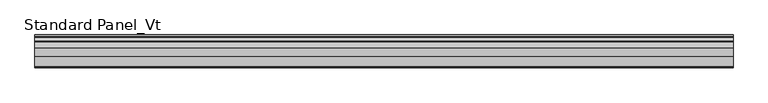
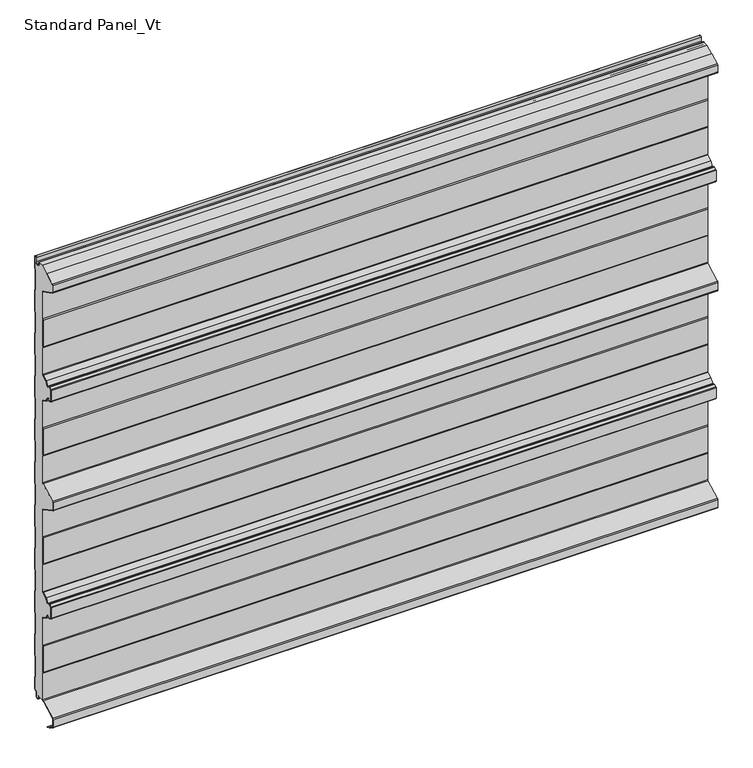
"""IFC4 building model written with IfcOpenShell, lengths in millimetres: proxy geometry, Standard Panel_Vt."""

from ifc_helpers import new_model, si_unit, point, frame, frame_2d, origin, place, context, project, spatial, polyline, circle_curve, trimmed, segment, composite_curve, outline, extrude, source, transform, mapped, element, save


def standard_panel_vt_0a422989(model_context):
    return source(origin(), model_context, "Body", "SweptSolid", [
        extrude(outline(composite_curve([segment(polyline([(-29.2, 32.543601), (-29.2, 93.8381725), (-30.1683897, 96.2198058), (-30.1683897, 156.0111465), (-29.2, 158.3927799), (-29.2, 220.5320467)]), True, "CONTINUOUS"), segment(trimmed(circle_curve(frame_2d((-30.9999978, 220.5292608)), 1.8), [point((-29.2, 220.5320467))], [point((-30.1549332, 222.118558))], True, "CARTESIAN"), True, "CONTINUOUS"), segment(polyline([(-30.1549332, 222.118558), (-41.6730163, 228.2429789), (-47.3606338, 237.2263708)]), True, "CONTINUOUS"), segment(trimmed(circle_curve(frame_2d((-48.8814507, 236.2635023)), 1.8), [point((-47.3606338, 237.2263708))], [point((-49.6883253, 237.8725248))], True, "CARTESIAN"), True, "CONTINUOUS"), segment(polyline([(-49.6883253, 237.8725248), (-54.8672514, 235.275455), (-60.4669529, 238.2529407), (-60.4669529, 263.7469089), (-54.8564238, 266.730009), (-49.6882431, 264.1381991)]), True, "CONTINUOUS"), segment(trimmed(circle_curve(frame_2d((-48.8813366, 265.7472056)), 1.8), [point((-49.6882431, 264.1381991))], [point((-47.3605387, 264.7843069))], True, "CARTESIAN"), True, "CONTINUOUS"), segment(polyline([(-47.3605387, 264.7843069), (-41.6832892, 273.7509288), (-30.1548264, 279.880575)]), True, "CONTINUOUS"), segment(trimmed(circle_curve(frame_2d((-30.9997352, 281.4696552)), 1.7997352), [point((-30.1548264, 279.880575))], [point((-29.2, 281.4696552))], True, "CARTESIAN"), True, "CONTINUOUS"), segment(polyline([(-29.2, 281.4696552), (-29.2, 343.6072197), (-30.1683897, 345.9888602), (-30.1683897, 405.780201), (-29.2, 408.1618409), (-29.2, 469.4564123)]), True, "CONTINUOUS"), segment(trimmed(circle_curve(frame_2d((-31.75, 469.4564123)), 2.55), [point((-29.2, 469.4564123))], [point((-30.5528475, 471.7079287))], True, "CARTESIAN"), True, "CONTINUOUS"), segment(polyline([(-30.5528475, 471.7079287), (-66.4808064, 490.8111633)]), True, "CONTINUOUS"), segment(trimmed(circle_curve(frame_2d((-65.5183897, 492.6212058)), 2.05), [point((-66.4808064, 490.8111633))], [point((-67.5683897, 492.6212058))], False, "CARTESIAN"), True, "CONTINUOUS"), segment(polyline([(-67.5683897, 492.6212058), (-67.5683897, 509.3787942)]), True, "CONTINUOUS"), segment(trimmed(circle_curve(frame_2d((-65.5183897, 509.3787942)), 2.05), [point((-67.5683897, 509.3787942))], [point((-66.4808064, 511.1888367))], False, "CARTESIAN"), True, "CONTINUOUS"), segment(polyline([(-66.4808064, 511.1888367), (-30.5528475, 530.2920713)]), True, "CONTINUOUS"), segment(trimmed(circle_curve(frame_2d((-31.75, 532.5435877)), 2.55), [point((-30.5528475, 530.2920713))], [point((-29.2, 532.5435877))], True, "CARTESIAN"), True, "CONTINUOUS"), segment(polyline([(-29.2, 532.5435877), (-29.2, 594.3381591), (-30.1683897, 596.719799), (-30.1683897, 656.5111398), (-29.2, 658.8927797), (-29.2, 720.3455631)]), True, "CONTINUOUS"), segment(trimmed(circle_curve(frame_2d((-30.9904904, 720.5303448)), 1.8), [point((-29.2, 720.3455631))], [point((-30.1454573, 722.1196588))], True, "CARTESIAN"), True, "CONTINUOUS"), segment(polyline([(-30.1454573, 722.1196588), (-41.6734802, 728.2490711), (-47.3507298, 737.2156932)]), True, "CONTINUOUS"), segment(trimmed(circle_curve(frame_2d((-48.8715276, 736.2527945)), 1.8), [point((-47.3507298, 737.2156932))], [point((-49.6784342, 737.861801))], True, "CARTESIAN"), True, "CONTINUOUS"), segment(polyline([(-49.6784342, 737.861801), (-54.8466132, 735.269992), (-60.4573069, 738.2530732), (-60.4573069, 763.7469201), (-54.8574433, 766.7245456), (-49.6785164, 764.1274753)]), True, "CONTINUOUS"), segment(trimmed(circle_curve(frame_2d((-48.8716418, 765.7364978)), 1.8), [point((-49.6785164, 764.1274753))], [point((-47.3508249, 764.7736293))], True, "CARTESIAN"), True, "CONTINUOUS"), segment(polyline([(-47.3508249, 764.7736293), (-41.6632074, 773.7570212), (-30.1451242, 779.8814421)]), True, "CONTINUOUS"), segment(trimmed(circle_curve(frame_2d((-30.9901889, 781.4707393)), 1.8), [point((-30.1451242, 779.8814421))], [point((-29.2, 781.6584189))], True, "CARTESIAN"), True, "CONTINUOUS"), segment(polyline([(-29.2, 781.6584189), (-29.2, 843.5389374), (-30.1683897, 846.5544463), (-30.1683897, 906.3542239), (-29.2, 909.3076807), (-29.2, 970.7065818)]), True, "CONTINUOUS"), segment(trimmed(circle_curve(frame_2d((-31.7198823, 970.7065818)), 2.5198823), [point((-29.2, 970.7065818))], [point((-30.5090325, 972.91648))], True, "CARTESIAN"), True, "CONTINUOUS"), segment(polyline([(-30.5090325, 972.91648), (-65.4813607, 991.4349523)]), True, "CONTINUOUS"), segment(trimmed(circle_curve(frame_2d((-64.5183897, 993.2447)), 2.05), [point((-65.4813607, 991.4349523))], [point((-66.5683897, 993.2447))], False, "CARTESIAN"), True, "CONTINUOUS"), segment(polyline([(-66.5683897, 993.2447), (-66.5683897, 1008.7553)]), True, "CONTINUOUS"), segment(trimmed(circle_curve(frame_2d((-64.5183897, 1008.7553)), 2.05), [point((-66.5683897, 1008.7553))], [point((-65.4808064, 1010.5653426))], False, "CARTESIAN"), True, "CONTINUOUS"), segment(polyline([(-65.4808064, 1010.5653426), (-26.7559646, 1031.1557062), (-15.3551162, 1031.1557063)]), True, "CONTINUOUS"), segment(trimmed(circle_curve(frame_2d((-15.3274964, 1029.5059375)), 1.65), [point((-15.3551162, 1031.1557063))], [point((-16.9611095, 1029.7379036))], True, "CARTESIAN"), True, "CONTINUOUS"), segment(polyline([(-16.9611095, 1029.7379036), (-17.660313, 1024.8137877), (-16.8682582, 1024.7013192), (-16.1690547, 1029.6254352)]), True, "CONTINUOUS"), segment(trimmed(circle_curve(frame_2d((-15.3274964, 1029.5059375)), 0.85), [point((-16.1690547, 1029.6254352))], [point((-14.4904098, 1029.6535385))], False, "CARTESIAN"), True, "CONTINUOUS"), segment(polyline([(-14.4904098, 1029.6535385), (-13.7278368, 1025.3287722)]), True, "CONTINUOUS"), segment(trimmed(circle_curve(frame_2d((-9.05, 1026.153601)), 4.75), [point((-13.7278368, 1025.3287722))], [point((-4.3, 1026.153601))], True, "CARTESIAN"), True, "CONTINUOUS"), segment(polyline([(-4.3, 1026.153601), (-4.3, 1035.653601)]), True, "CONTINUOUS"), segment(trimmed(circle_curve(frame_2d((-2.55, 1035.653601)), 1.75), [point((-4.3, 1035.653601))], [point((-0.8, 1035.653601))], False, "CARTESIAN"), True, "CONTINUOUS"), segment(polyline([(-0.8, 1035.653601), (-0.8, 1008.0956151), (-1.8, 1006.3635643), (-1.8, 959.8989472), (-0.8, 958.1668964), (-0.8, 909.0956151), (-1.8, 907.3635643), (-1.8, 860.8989472), (-0.8, 859.1668964), (-0.8, 810.0956151), (-1.8, 808.3635643), (-1.8, 761.8989472), (-0.8, 760.1668964), (-0.8, 711.0974098), (-1.8, 709.3229083), (-1.8, 662.8989472), (-0.8, 661.1668964), (-0.8, 612.0956151), (-1.8, 610.3635643), (-1.8, 563.8989472), (-0.8, 562.1668964), (-0.8, 513.0956151), (-1.8, 511.3635643), (-1.8, 464.8989472), (-0.8, 463.1668964), (-0.8, 414.0974098), (-1.8, 412.3229083), (-1.8, 365.8989472), (-0.8, 364.1668964), (-0.8, 315.0974098), (-1.8, 313.3229083), (-1.8, 266.8989472), (-0.8, 265.1668964), (-0.8, 216.0956151), (-1.8, 214.3635643), (-1.8, 167.8989472), (-0.786297, 166.1668964), (-0.786297, 117.0974098), (-1.786297, 115.3229083), (-1.786297, 68.8989472), (-0.786297, 67.1668964), (-0.786297, 40.153601)]), True, "CONTINUOUS"), segment(trimmed(circle_curve(frame_2d((-2.036297, 40.153601)), 1.25), [point((-0.786297, 40.153601))], [point((-2.036297, 38.903601))], False, "CARTESIAN"), True, "CONTINUOUS"), segment(polyline([(-2.036297, 38.903601), (-3.436297, 38.903601)]), True, "CONTINUOUS"), segment(trimmed(circle_curve(frame_2d((-3.436297, 36.153601)), 2.75), [point((-3.436297, 38.903601))], [point((-6.186297, 36.153601))], True, "CARTESIAN"), True, "CONTINUOUS"), segment(polyline([(-6.186297, 36.153601), (-6.186297, 26.353601)]), True, "CONTINUOUS"), segment(trimmed(circle_curve(frame_2d((-9.036297, 26.353601)), 2.85), [point((-6.186297, 26.353601))], [point((-11.8132517, 25.7124905))], False, "CARTESIAN"), True, "CONTINUOUS"), segment(polyline([(-11.8132517, 25.7124905), (-13.0699171, 31.1557062), (-29.6107833, 31.1557062)]), True, "CONTINUOUS"), segment(trimmed(circle_curve(frame_2d((-31.75, 32.543601)), 2.55), [point((-29.6107833, 31.1557062))], [point((-29.2, 32.543601))], True, "CARTESIAN"), True, "CONTINUOUS")], self_intersect=False)), frame((-723.9042608, 0.0, 0.0), z_axis=(1.0, 0.0, 0.0), x_axis=(0.0, 1.0, 0.0)), (0.0, 0.0, 1.0), 1447.8085217),
        extrude(outline(composite_curve([segment(polyline([(-30.0, 32.543601), (-30.0, 93.6817477), (-30.9683897, 96.0633811), (-30.9683897, 156.1675713), (-30.0, 158.5492046), (-30.0, 220.5313373)]), True, "CONTINUOUS"), segment(trimmed(circle_curve(frame_2d((-30.9999978, 220.5292608)), 1.0), [point((-30.0, 220.5313373))], [point((-30.5305175, 221.4122037))], True, "CARTESIAN"), True, "CONTINUOUS"), segment(polyline([(-30.5305175, 221.4122037), (-42.2356263, 227.6360703), (-48.0365524, 236.7984293)]), True, "CONTINUOUS"), segment(trimmed(circle_curve(frame_2d((-48.8814507, 236.2635023)), 1.0), [point((-48.0365524, 236.7984293))], [point((-49.3297144, 237.1574037))], True, "CARTESIAN"), True, "CONTINUOUS"), segment(polyline([(-49.3297144, 237.1574037), (-54.4163001, 234.6066397)]), True, "CONTINUOUS"), segment(trimmed(circle_curve(frame_2d((-54.8645637, 235.5005411)), 1.0), [point((-54.4163001, 234.6066397))], [point((-55.3340441, 234.6175982))], False, "CARTESIAN"), True, "CONTINUOUS"), segment(polyline([(-55.3340441, 234.6175982), (-60.4714183, 237.3492543)]), True, "CONTINUOUS"), segment(trimmed(circle_curve(frame_2d((-59.7671978, 238.6736686)), 1.5), [point((-60.4714183, 237.3492543))], [point((-61.2669529, 238.7007726))], False, "CARTESIAN"), True, "CONTINUOUS"), segment(polyline([(-61.2669529, 238.7007726), (-61.2669529, 263.3263018)]), True, "CONTINUOUS"), segment(trimmed(circle_curve(frame_2d((-59.7669529, 263.3263018)), 1.5), [point((-61.2669529, 263.3263018))], [point((-60.4711471, 264.6507302))], False, "CARTESIAN"), True, "CONTINUOUS"), segment(polyline([(-60.4711471, 264.6507302), (-55.3232034, 267.3878751)]), True, "CONTINUOUS"), segment(trimmed(circle_curve(frame_2d((-54.8537406, 266.5049228)), 1.0), [point((-55.3232034, 267.3878751))], [point((-54.4054592, 267.3988153))], False, "CARTESIAN"), True, "CONTINUOUS"), segment(polyline([(-54.4054592, 267.3988153), (-49.329618, 264.8533131)]), True, "CONTINUOUS"), segment(trimmed(circle_curve(frame_2d((-48.8813366, 265.7472056)), 1.0), [point((-49.329618, 264.8533131))], [point((-48.0364489, 265.2122618))], True, "CARTESIAN"), True, "CONTINUOUS"), segment(polyline([(-48.0364489, 265.2122618), (-42.2458871, 274.3578486), (-30.5303966, 280.5869367)]), True, "CONTINUOUS"), segment(trimmed(circle_curve(frame_2d((-30.9997352, 281.4696552)), 0.9997353), [point((-30.5303966, 280.5869367))], [point((-29.9999999, 281.4696552))], True, "CARTESIAN"), True, "CONTINUOUS"), segment(polyline([(-29.9999999, 281.4696552), (-29.9999999, 343.4507954), (-30.9683897, 345.8324358), (-30.9683897, 405.9366254), (-30.0, 408.3182652), (-30.0, 469.4564123)]), True, "CONTINUOUS"), segment(trimmed(circle_curve(frame_2d((-31.75, 469.4564123)), 1.75), [point((-30.0, 469.4564123))], [point((-30.9284248, 471.0015706))], True, "CARTESIAN"), True, "CONTINUOUS"), segment(polyline([(-30.9284248, 471.0015706), (-66.8563836, 490.1048052)]), True, "CONTINUOUS"), segment(trimmed(circle_curve(frame_2d((-65.5183897, 492.6212058)), 2.85), [point((-66.8563836, 490.1048052))], [point((-68.3683897, 492.6212058))], False, "CARTESIAN"), True, "CONTINUOUS"), segment(polyline([(-68.3683897, 492.6212058), (-68.3683897, 509.3787942)]), True, "CONTINUOUS"), segment(trimmed(circle_curve(frame_2d((-65.5183897, 509.3787942)), 2.85), [point((-68.3683897, 509.3787942))], [point((-66.8563836, 511.8951948))], False, "CARTESIAN"), True, "CONTINUOUS"), segment(polyline([(-66.8563836, 511.8951948), (-30.9284248, 530.9984294)]), True, "CONTINUOUS"), segment(trimmed(circle_curve(frame_2d((-31.75, 532.5435877)), 1.75), [point((-30.9284248, 530.9984294))], [point((-30.0, 532.5435877))], True, "CARTESIAN"), True, "CONTINUOUS"), segment(polyline([(-30.0, 532.5435877), (-30.0, 593.6817348), (-30.9683897, 596.0633746), (-30.9683897, 656.1675642), (-30.0, 658.549204), (-30.0, 720.3927626)]), True, "CONTINUOUS"), segment(trimmed(circle_curve(frame_2d((-30.9904904, 720.5303448)), 1.0), [point((-30.0, 720.3927626))], [point((-30.5210275, 721.413297))], True, "CARTESIAN"), True, "CONTINUOUS"), segment(polyline([(-30.5210275, 721.413297), (-42.2360781, 727.6421513), (-48.0266399, 736.7877383)]), True, "CONTINUOUS"), segment(trimmed(circle_curve(frame_2d((-48.8715276, 736.2527945)), 1.0), [point((-48.0266399, 736.7877383))], [point((-49.319809, 737.146687))], True, "CARTESIAN"), True, "CONTINUOUS"), segment(polyline([(-49.319809, 737.146687), (-54.3956503, 734.6011848)]), True, "CONTINUOUS"), segment(trimmed(circle_curve(frame_2d((-54.8439317, 735.4950773)), 1.0), [point((-54.3956503, 734.6011848))], [point((-55.3133815, 734.6121181))], False, "CARTESIAN"), True, "CONTINUOUS"), segment(polyline([(-55.3133815, 734.6121181), (-60.4614397, 737.3492264)]), True, "CONTINUOUS"), segment(trimmed(circle_curve(frame_2d((-59.7572281, 738.6737347)), 1.5000788), [point((-60.4614397, 737.3492264))], [point((-61.2573069, 738.6737347))], False, "CARTESIAN"), True, "CONTINUOUS"), segment(polyline([(-61.2573069, 738.6737347), (-61.2573069, 763.3263498)]), True, "CONTINUOUS"), segment(trimmed(circle_curve(frame_2d((-59.7573465, 763.3263498)), 1.4999604), [point((-61.2573069, 763.3263498))], [point((-60.4615583, 764.6507239))], False, "CARTESIAN"), True, "CONTINUOUS"), segment(polyline([(-60.4615583, 764.6507239), (-55.3242418, 767.3823984)]), True, "CONTINUOUS"), segment(trimmed(circle_curve(frame_2d((-54.8547548, 766.499459)), 1.0), [point((-55.3242418, 767.3823984))], [point((-54.4064911, 767.3933604))], False, "CARTESIAN"), True, "CONTINUOUS"), segment(polyline([(-54.4064911, 767.3933604), (-49.3199055, 764.8425964)]), True, "CONTINUOUS"), segment(trimmed(circle_curve(frame_2d((-48.8716418, 765.7364978)), 1.0), [point((-49.3199055, 764.8425964))], [point((-48.0267435, 765.2015709))], True, "CARTESIAN"), True, "CONTINUOUS"), segment(polyline([(-48.0267435, 765.2015709), (-42.2258174, 774.3639298), (-30.5207085, 780.5877964)]), True, "CONTINUOUS"), segment(trimmed(circle_curve(frame_2d((-30.9901889, 781.4707393)), 1.0), [point((-30.5207085, 780.5877964))], [point((-30.0, 781.6104744))], True, "CARTESIAN"), True, "CONTINUOUS"), segment(polyline([(-30.0, 781.6104744), (-30.0, 843.3152015), (-30.9683897, 846.3307104), (-30.9683897, 906.4820299), (-30.0, 909.4354867), (-30.0, 970.7065818)]), True, "CONTINUOUS"), segment(trimmed(circle_curve(frame_2d((-31.7198823, 970.7065818)), 1.7198823), [point((-30.0, 970.7065818))], [point((-30.8889236, 972.2124048))], True, "CARTESIAN"), True, "CONTINUOUS"), segment(polyline([(-30.8889236, 972.2124048), (-65.8563836, 990.7282994)]), True, "CONTINUOUS"), segment(trimmed(circle_curve(frame_2d((-64.5183897, 993.2447)), 2.85), [point((-65.8563836, 990.7282994))], [point((-67.3683897, 993.2447))], False, "CARTESIAN"), True, "CONTINUOUS"), segment(polyline([(-67.3683897, 993.2447), (-67.3683897, 1008.7553)]), True, "CONTINUOUS"), segment(trimmed(circle_curve(frame_2d((-64.5183897, 1008.7553)), 2.85), [point((-67.3683897, 1008.7553))], [point((-65.8563836, 1011.2717006))], False, "CARTESIAN"), True, "CONTINUOUS"), segment(polyline([(-65.8563836, 1011.2717006), (-45.2289619, 1022.2394953), (-44.8533847, 1021.5331372), (-65.4808064, 1010.5653426)]), True, "CONTINUOUS"), segment(trimmed(circle_curve(frame_2d((-64.5183897, 1008.7553)), 2.05), [point((-65.4808064, 1010.5653426))], [point((-66.5683897, 1008.7553))], True, "CARTESIAN"), True, "CONTINUOUS"), segment(polyline([(-66.5683897, 1008.7553), (-66.5683897, 993.2447)]), True, "CONTINUOUS"), segment(trimmed(circle_curve(frame_2d((-64.5183897, 993.2447)), 2.05), [point((-66.5683897, 993.2447))], [point((-65.4813607, 991.4349523))], True, "CARTESIAN"), True, "CONTINUOUS"), segment(polyline([(-65.4813607, 991.4349523), (-30.5090325, 972.91648)]), True, "CONTINUOUS"), segment(trimmed(circle_curve(frame_2d((-31.7198823, 970.7065818)), 2.5198823), [point((-30.5090325, 972.91648))], [point((-29.2, 970.7065818))], False, "CARTESIAN"), True, "CONTINUOUS"), segment(polyline([(-29.2, 970.7065818), (-29.2, 909.3076807), (-30.1683897, 906.3542239), (-30.1683897, 846.4560136), (-29.2, 843.4405047), (-29.2, 781.6584189)]), True, "CONTINUOUS"), segment(trimmed(circle_curve(frame_2d((-30.9901889, 781.4707393)), 1.8), [point((-29.2, 781.6584189))], [point((-30.1451242, 779.8814421))], False, "CARTESIAN"), True, "CONTINUOUS"), segment(polyline([(-30.1451242, 779.8814421), (-41.6632074, 773.7570212), (-47.3508249, 764.7736293)]), True, "CONTINUOUS"), segment(trimmed(circle_curve(frame_2d((-48.8716418, 765.7364978)), 1.8), [point((-47.3508249, 764.7736293))], [point((-49.6785164, 764.1274753))], False, "CARTESIAN"), True, "CONTINUOUS"), segment(polyline([(-49.6785164, 764.1274753), (-54.8574433, 766.7245456), (-60.4573069, 763.7469201), (-60.4573069, 738.2530732), (-54.8466132, 735.269992), (-49.6784342, 737.861801)]), True, "CONTINUOUS"), segment(trimmed(circle_curve(frame_2d((-48.8715276, 736.2527945)), 1.8), [point((-49.6784342, 737.861801))], [point((-47.3507298, 737.2156932))], False, "CARTESIAN"), True, "CONTINUOUS"), segment(polyline([(-47.3507298, 737.2156932), (-41.6734802, 728.2490711), (-30.1454573, 722.1196588)]), True, "CONTINUOUS"), segment(trimmed(circle_curve(frame_2d((-30.9904904, 720.5303448)), 1.8), [point((-30.1454573, 722.1196588))], [point((-29.2, 720.3455631))], False, "CARTESIAN"), True, "CONTINUOUS"), segment(polyline([(-29.2, 720.3455631), (-29.2, 658.3927797), (-30.1683897, 656.0111398), (-30.1683897, 596.219799), (-29.2, 593.8381591), (-29.2, 532.5435877)]), True, "CONTINUOUS"), segment(trimmed(circle_curve(frame_2d((-31.75, 532.5435877)), 2.55), [point((-29.2, 532.5435877))], [point((-30.5528475, 530.2920713))], False, "CARTESIAN"), True, "CONTINUOUS"), segment(polyline([(-30.5528475, 530.2920713), (-66.4808064, 511.1888367)]), True, "CONTINUOUS"), segment(trimmed(circle_curve(frame_2d((-65.5183897, 509.3787942)), 2.05), [point((-66.4808064, 511.1888367))], [point((-67.5683897, 509.3787942))], True, "CARTESIAN"), True, "CONTINUOUS"), segment(polyline([(-67.5683897, 509.3787942), (-67.5683897, 492.6212058)]), True, "CONTINUOUS"), segment(trimmed(circle_curve(frame_2d((-65.5183897, 492.6212058)), 2.05), [point((-67.5683897, 492.6212058))], [point((-66.4808064, 490.8111633))], True, "CARTESIAN"), True, "CONTINUOUS"), segment(polyline([(-66.4808064, 490.8111633), (-30.5528475, 471.7079287)]), True, "CONTINUOUS"), segment(trimmed(circle_curve(frame_2d((-31.75, 469.4564123)), 2.55), [point((-30.5528475, 471.7079287))], [point((-29.2, 469.4564123))], False, "CARTESIAN"), True, "CONTINUOUS"), segment(polyline([(-29.2, 469.4564123), (-29.2, 408.1618409), (-30.1683897, 405.780201), (-30.1683897, 345.9888602), (-29.2, 343.6072197), (-29.2, 281.4696552)]), True, "CONTINUOUS"), segment(trimmed(circle_curve(frame_2d((-30.9997352, 281.4696552)), 1.7997352), [point((-29.2, 281.4696552))], [point((-30.1548264, 279.880575))], False, "CARTESIAN"), True, "CONTINUOUS"), segment(polyline([(-30.1548264, 279.880575), (-41.6832892, 273.7509288), (-47.3605387, 264.7843069)]), True, "CONTINUOUS"), segment(trimmed(circle_curve(frame_2d((-48.8813366, 265.7472056)), 1.8), [point((-47.3605387, 264.7843069))], [point((-49.6882431, 264.1381991))], False, "CARTESIAN"), True, "CONTINUOUS"), segment(polyline([(-49.6882431, 264.1381991), (-54.8564238, 266.730009), (-60.4669529, 263.7469089), (-60.4669529, 238.2529407), (-54.8672514, 235.275455), (-49.6883253, 237.8725248)]), True, "CONTINUOUS"), segment(trimmed(circle_curve(frame_2d((-48.8814507, 236.2635023)), 1.8), [point((-49.6883253, 237.8725248))], [point((-47.3606338, 237.2263708))], False, "CARTESIAN"), True, "CONTINUOUS"), segment(polyline([(-47.3606338, 237.2263708), (-41.6730163, 228.2429789), (-30.1549332, 222.118558)]), True, "CONTINUOUS"), segment(trimmed(circle_curve(frame_2d((-30.9999978, 220.5292608)), 1.8), [point((-30.1549332, 222.118558))], [point((-29.2, 220.5320467))], False, "CARTESIAN"), True, "CONTINUOUS"), segment(polyline([(-29.2, 220.5320467), (-29.2, 158.3927799), (-30.1683897, 156.0111465), (-30.1683897, 96.2198058), (-29.2, 93.8381725), (-29.2, 32.543601)]), True, "CONTINUOUS"), segment(trimmed(circle_curve(frame_2d((-31.75, 32.543601)), 2.55), [point((-29.2, 32.543601))], [point((-30.5528475, 30.2920847))], False, "CARTESIAN"), True, "CONTINUOUS"), segment(polyline([(-30.5528475, 30.2920847), (-66.4808064, 11.1888501)]), True, "CONTINUOUS"), segment(trimmed(circle_curve(frame_2d((-65.5183897, 9.3788075)), 2.05), [point((-66.4808064, 11.1888501))], [point((-67.5683897, 9.3788075))], True, "CARTESIAN"), True, "CONTINUOUS"), segment(polyline([(-67.5683897, 9.3788075), (-67.5683897, -7.362)]), True, "CONTINUOUS"), segment(trimmed(circle_curve(frame_2d((-65.5183897, -7.362)), 2.05), [point((-67.5683897, -7.362))], [point((-66.4808064, -9.1720426))], True, "CARTESIAN"), True, "CONTINUOUS"), segment(polyline([(-66.4808064, -9.1720426), (-57.1800551, -14.1173397), (-54.9723908, -16.438449), (-51.7360251, -17.0119818), (-45.8533964, -20.139831), (-46.2289737, -20.846189), (-52.000038, -17.7776597), (-55.3708693, -17.1802976), (-57.6702585, -14.76275), (-66.8563836, -9.8784006)]), True, "CONTINUOUS"), segment(trimmed(circle_curve(frame_2d((-65.5183897, -7.362)), 2.85), [point((-66.8563836, -9.8784006))], [point((-68.3683897, -7.362))], False, "CARTESIAN"), True, "CONTINUOUS"), segment(polyline([(-68.3683897, -7.362), (-68.3683897, 9.3788075)]), True, "CONTINUOUS"), segment(trimmed(circle_curve(frame_2d((-65.5183897, 9.3788075)), 2.85), [point((-68.3683897, 9.3788075))], [point((-66.8563836, 11.8952082))], False, "CARTESIAN"), True, "CONTINUOUS"), segment(polyline([(-66.8563836, 11.8952082), (-30.9284248, 30.9984427)]), True, "CONTINUOUS"), segment(trimmed(circle_curve(frame_2d((-31.75, 32.543601)), 1.75), [point((-30.9284248, 30.9984427))], [point((-30.0, 32.543601))], True, "CARTESIAN"), True, "CONTINUOUS")], self_intersect=False)), frame((-723.9042608, 0.0, 0.0), z_axis=(1.0, 0.0, 0.0), x_axis=(0.0, 1.0, 0.0)), (0.0, 0.0, 1.0), 1447.8085217),
        extrude(outline(composite_curve([segment(polyline([(0.0, 1035.653601), (0.0, 1007.8812557), (-1.0, 1006.1492049), (-1.0, 960.1133065), (0.0, 958.3812557), (0.0, 908.8812557), (-1.0, 907.1492049), (-1.0, 861.1133065), (0.0, 859.3812557), (0.0, 809.8812557), (-1.0, 808.1492049), (-1.0, 762.1133065), (0.0, 760.3812557), (0.0, 710.8875118), (-1.0, 709.1130103), (-1.0, 663.1133065), (0.0, 661.3812557), (0.0, 611.8812557), (-1.0, 610.1492049), (-1.0, 564.1133065), (0.0, 562.3812557), (0.0, 512.8812557), (-1.0, 511.1492049), (-1.0, 465.1133065), (0.0, 463.3812557), (0.0, 413.8875118), (-1.0, 412.1130103), (-1.0, 366.1133065), (0.0, 364.3812557), (0.0, 314.8875118), (-1.0, 313.1130103), (-1.0, 267.1133065), (0.0, 265.3812557), (0.0, 215.8812557), (-1.0, 214.1492049), (-1.0, 168.1133065), (0.013703, 166.3812557), (0.013703, 116.8875118), (-0.986297, 115.1130103), (-0.986297, 69.1133065), (0.013703, 67.3812557), (0.013703, 40.153601)]), True, "CONTINUOUS"), segment(trimmed(circle_curve(frame_2d((-2.036297, 40.153601)), 2.05), [point((0.013703, 40.153601))], [point((-2.036297, 38.103601))], False, "CARTESIAN"), True, "CONTINUOUS"), segment(polyline([(-2.036297, 38.103601), (-3.436297, 38.103601)]), True, "CONTINUOUS"), segment(trimmed(circle_curve(frame_2d((-3.436297, 36.153601)), 1.95), [point((-3.436297, 38.103601))], [point((-5.386297, 36.153601))], True, "CARTESIAN"), True, "CONTINUOUS"), segment(polyline([(-5.386297, 36.153601), (-5.386297, 26.353601)]), True, "CONTINUOUS"), segment(trimmed(circle_curve(frame_2d((-9.036297, 26.353601)), 3.65), [point((-5.386297, 26.353601))], [point((-12.5927478, 25.5325297))], False, "CARTESIAN"), True, "CONTINUOUS"), segment(polyline([(-12.5927478, 25.5325297), (-13.8494131, 30.9757453), (-13.0699171, 31.1557062), (-11.8132517, 25.7124905)]), True, "CONTINUOUS"), segment(trimmed(circle_curve(frame_2d((-9.036297, 26.353601)), 2.85), [point((-11.8132517, 25.7124905))], [point((-6.186297, 26.353601))], True, "CARTESIAN"), True, "CONTINUOUS"), segment(polyline([(-6.186297, 26.353601), (-6.186297, 36.153601)]), True, "CONTINUOUS"), segment(trimmed(circle_curve(frame_2d((-3.436297, 36.153601)), 2.75), [point((-6.186297, 36.153601))], [point((-3.436297, 38.903601))], False, "CARTESIAN"), True, "CONTINUOUS"), segment(polyline([(-3.436297, 38.903601), (-2.036297, 38.903601)]), True, "CONTINUOUS"), segment(trimmed(circle_curve(frame_2d((-2.036297, 40.153601)), 1.25), [point((-2.036297, 38.903601))], [point((-0.786297, 40.153601))], True, "CARTESIAN"), True, "CONTINUOUS"), segment(polyline([(-0.786297, 40.153601), (-0.786297, 67.1668964), (-1.786297, 68.8989472), (-1.786297, 115.3229083), (-0.786297, 117.0974098), (-0.786297, 166.1668964), (-1.8, 167.8989472), (-1.8, 214.3635643), (-0.8, 216.0956151), (-0.8, 265.1668964), (-1.8, 266.8989472), (-1.8, 313.3229083), (-0.8, 315.0974098), (-0.8, 364.1668964), (-1.8, 365.8989472), (-1.8, 412.3229083), (-0.8, 414.0974098), (-0.8, 463.1668964), (-1.8, 464.8989472), (-1.8, 511.3635643), (-0.8, 513.0956151), (-0.8, 562.1668964), (-1.8, 563.8989472), (-1.8, 610.3635643), (-0.8, 612.0956151), (-0.8, 661.1668964), (-1.8, 662.8989472), (-1.8, 709.3229083), (-0.8, 711.0974098), (-0.8, 760.1668964), (-1.8, 761.8989472), (-1.8, 808.3635643), (-0.8, 810.0956151), (-0.8, 859.1668964), (-1.8, 860.8989472), (-1.8, 907.3635643), (-0.8, 909.0956151), (-0.8, 958.1668964), (-1.8, 959.8989472), (-1.8, 1006.3635643), (-0.8, 1008.0956151), (-0.8, 1035.653601)]), True, "CONTINUOUS"), segment(trimmed(circle_curve(frame_2d((-2.55, 1035.653601)), 1.75), [point((-0.8, 1035.653601))], [point((-4.3, 1035.653601))], True, "CARTESIAN"), True, "CONTINUOUS"), segment(polyline([(-4.3, 1035.653601), (-4.3, 1026.153601)]), True, "CONTINUOUS"), segment(trimmed(circle_curve(frame_2d((-9.05, 1026.153601)), 4.75), [point((-4.3, 1026.153601))], [point((-13.7278368, 1025.3287722))], False, "CARTESIAN"), True, "CONTINUOUS"), segment(polyline([(-13.7278368, 1025.3287722), (-14.4904098, 1029.6535385)]), True, "CONTINUOUS"), segment(trimmed(circle_curve(frame_2d((-15.3274964, 1029.5059375)), 0.85), [point((-14.4904098, 1029.6535385))], [point((-16.1690547, 1029.6254352))], True, "CARTESIAN"), True, "CONTINUOUS"), segment(polyline([(-16.1690547, 1029.6254352), (-16.8682582, 1024.7013192), (-17.660313, 1024.8137877), (-16.9611095, 1029.7379036)]), True, "CONTINUOUS"), segment(trimmed(circle_curve(frame_2d((-15.3274964, 1029.5059375)), 1.65), [point((-16.9611095, 1029.7379036))], [point((-13.7025636, 1029.792457))], False, "CARTESIAN"), True, "CONTINUOUS"), segment(polyline([(-13.7025636, 1029.792457), (-12.9399906, 1025.4676907)]), True, "CONTINUOUS"), segment(trimmed(circle_curve(frame_2d((-9.05, 1026.153601)), 3.95), [point((-12.9399906, 1025.4676907))], [point((-5.1, 1026.153601))], True, "CARTESIAN"), True, "CONTINUOUS"), segment(polyline([(-5.1, 1026.153601), (-5.1, 1035.653601)]), True, "CONTINUOUS"), segment(trimmed(circle_curve(frame_2d((-2.55, 1035.653601)), 2.55), [point((-5.1, 1035.653601))], [point((0.0, 1035.653601))], False, "CARTESIAN"), True, "CONTINUOUS")], self_intersect=False)), frame((-723.9042608, 0.0, 0.0), z_axis=(1.0, 0.0, 0.0), x_axis=(0.0, 1.0, 0.0)), (0.0, 0.0, 1.0), 1447.8085217),
    ])


if __name__ == "__main__":
    model = new_model("IFC4")
    model_context = context("Model", 3, world=origin())
    ifc_project = project(units=[si_unit("LENGTHUNIT", "METRE", prefix="MILLI")], contexts=[model_context])
    site = spatial("IfcSite", under=ifc_project)
    building = spatial("IfcBuilding", under=site)
    placement = place(None, origin())
    standard_panel_vt_shape = standard_panel_vt_0a422989(model_context)
    element("IfcBuildingElementProxy", 1, Name="Standard Panel_Vt", ObjectType="Standard Panel_Vt", at=placement, inside=building, context=model_context, shape_type="MappedRepresentation", body=[
        mapped(standard_panel_vt_shape, transform((0.0, 0.0, 0.0), x_axis=(1.0, 0.0, 0.0), y_axis=(0.0, 1.0, 0.0), z_axis=(0.0, 0.0, 1.0))),
    ])
    save(model, "model.ifc")
